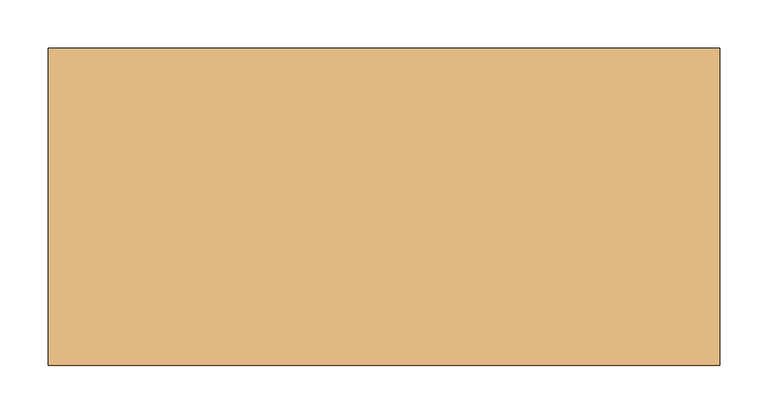
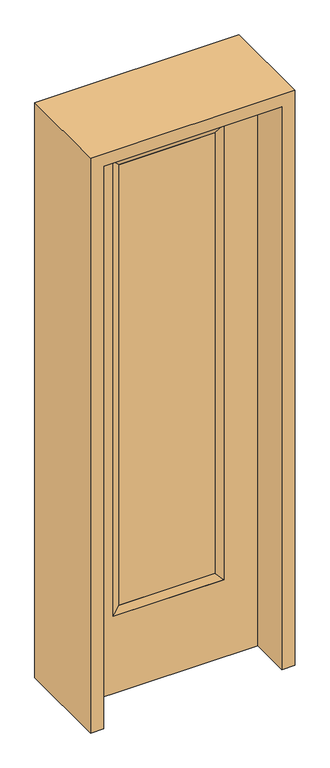
"""IFC4 building model written with IfcOpenShell, lengths in millimetres: door geometry."""

from ifc_helpers import new_model, si_unit, frame, origin, place, context, project, spatial, polyline, outline, extrude, faceted_brep, source, transform, mapped, element, save


def door_bb613f02(model_context):
    return source(origin(), model_context, "Body", "SolidModel", [
        extrude(outline(polyline([(163.9824, -12.7039749), (-163.9824, -12.7039749), (-163.9824, 14.2875), (163.9824, 14.2875), (163.9824, -12.7039749)])), frame((0.0, 0.0, 304.8), z_axis=(0.0, 0.0, 1.0), x_axis=(1.0, 0.0, 0.0)), (0.0, 0.0, 1.0), 1591.1576),
        faceted_brep([(163.9824, 14.2875, 1895.9576), (189.3824, 22.225, 1921.3576), (189.3824, 22.225, 279.4), (163.9824, 14.2875, 304.8), (189.3824, -22.225, 1921.3576), (189.3824, -22.225, 279.4), (-189.3824, 22.225, 279.4), (-163.9824, 14.2875, 304.8), (163.9824, -12.7039749, 1895.9576), (163.9824, -12.7039749, 304.8), (-163.9824, -12.7039749, 304.8), (-189.3824, -22.225, 279.4), (-189.3824, 22.225, 1921.3576), (-163.9824, 14.2875, 1895.9576), (-163.9824, -12.7039749, 1895.9576), (-189.3824, -22.225, 1921.3576)], [[[0, 1, 2, 3]], [[1, 4, 5, 2]], [[3, 2, 6, 7]], [[8, 0, 3, 9]], [[9, 3, 7, 10]], [[4, 8, 9, 5]], [[5, 9, 10, 11]], [[2, 5, 11, 6]], [[7, 6, 12, 13]], [[10, 7, 13, 14]], [[11, 10, 14, 15]], [[6, 11, 15, 12]], [[13, 12, 1, 0]], [[14, 13, 0, 8]], [[15, 14, 8, 4]], [[12, 15, 4, 1]]]),
        extrude(outline(polyline([(0.0, -304.8), (0.0, 304.8), (2032.0, 304.8), (2032.0, -304.8), (0.0, -304.8)]), holes=[polyline([(279.4, -189.3824), (1921.3576, -189.3824), (1921.3576, 189.3824), (279.4, 189.3824), (279.4, -189.3824)])]), frame((0.0, -22.225, 0.0), z_axis=(0.0, 1.0, 0.0), x_axis=(0.0, 0.0, 1.0)), (0.0, 0.0, 1.0), 44.45),
        extrude(outline(polyline([(2076.45, -349.25), (0.0, -349.25), (0.0, -304.8), (2032.0, -304.8), (2032.0, 304.8), (0.0, 304.8), (0.0, 349.25), (2076.45, 349.25), (2076.45, -349.25)])), frame((0.0, -165.1, 0.0), z_axis=(0.0, 1.0, 0.0), x_axis=(0.0, 0.0, 1.0)), (0.0, 0.0, 1.0), 330.2),
    ])


if __name__ == "__main__":
    model = new_model("IFC4")
    model_context = context("Model", 3, world=origin())
    ifc_project = project(units=[si_unit("LENGTHUNIT", "METRE", prefix="MILLI")], contexts=[model_context])
    site = spatial("IfcSite", under=ifc_project)
    building = spatial("IfcBuilding", under=site)
    placement = place(None, origin())
    door_shape = door_bb613f02(model_context)
    element("IfcDoor", 1, at=placement, inside=building, context=model_context, shape_type="MappedRepresentation", body=[
        mapped(door_shape, transform((0.0, 0.0, 0.0), x_axis=(1.0, 0.0, 0.0), y_axis=(0.0, 1.0, 0.0), z_axis=(0.0, 0.0, 1.0))),
    ])
    save(model, "model.ifc")
